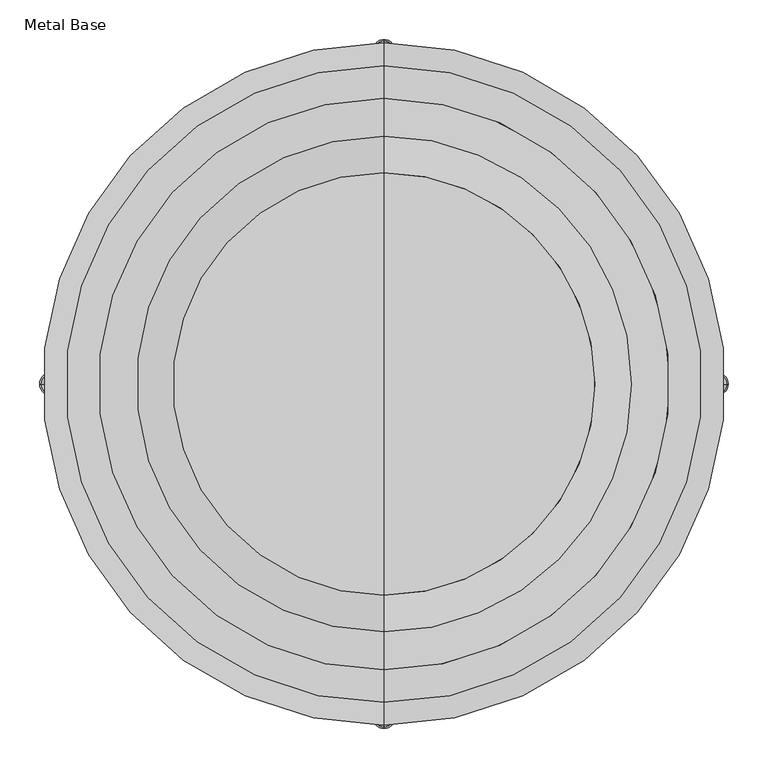
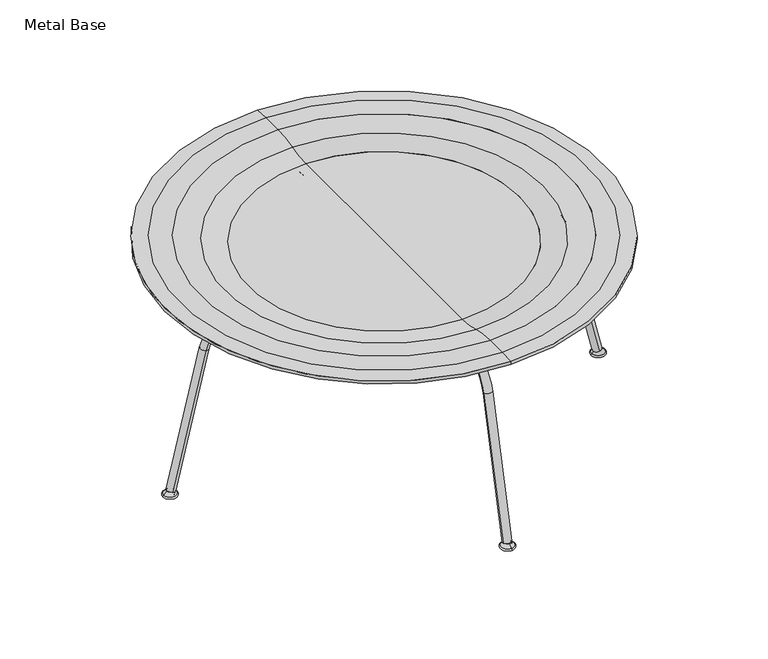
"""IFC4 building model written with IfcOpenShell, lengths in millimetres: furniture geometry, Metal Base."""

import ifcopenshell
import ifcopenshell.guid

model = None  # the IFC model being written
_history = None  # IfcOwnerHistory: only IFC2X3 demands one
_inside = {}  # id of a spatial element -> (the spatial element, [elements in it])
_under = {}  # id of a project, library or spatial element -> (it, [spatial elements below it])
_declared = {}  # id of a project -> (the project, [libraries it declares])
_typed = {}  # id of a type object -> (the type object, [elements of that type])
_made_of = {}  # id of a material, layer set ... -> (it, [elements and type objects made of it])


def new_model(schema):
    """Start an empty IFC model of exactly this schema.

    Asked for "IFC4X3", IfcOpenShell would pick the latest addendum, in which some entities
    have other attributes; the version numbers below select the first issue.
    IFC2X3 requires an IfcOwnerHistory on every rooted entity: one is made here for all.
    """
    global model, _history
    if schema == "IFC4X3":
        model = ifcopenshell.file(schema_version=(4, 3, 0, 0))
    else:
        model = ifcopenshell.file(schema=schema)
    _inside.clear()
    _under.clear()
    _declared.clear()
    _typed.clear()
    _made_of.clear()
    _history = None
    if model.schema == "IFC2X3":
        org = make("IfcOrganization", Name="unknown")
        user = make(
            "IfcPersonAndOrganization",
            ThePerson=make("IfcPerson", FamilyName="unknown"),
            TheOrganization=org,
        )
        app = make(
            "IfcApplication",
            ApplicationDeveloper=org,
            Version="unknown",
            ApplicationFullName="unknown",
            ApplicationIdentifier="unknown",
        )
        _history = make(
            "IfcOwnerHistory",
            OwningUser=user,
            OwningApplication=app,
            ChangeAction="ADDED",
            CreationDate=0,
        )
    return model


def make(cls, **values):
    """One entity of the class cls with the attributes given. An attribute that is None is left unset."""
    return model.create_entity(
        cls, **{name: value for name, value in values.items() if value is not None}
    )


def rooted(cls, **values):
    """An entity with a GlobalId (a new one), such as an element, a storey or a relation."""
    return make(cls, GlobalId=ifcopenshell.guid.new(), OwnerHistory=_history, **values)


def si_unit(unit_type, name, prefix=None):
    """IfcSIUnit, for example si_unit("LENGTHUNIT", "METRE", prefix="MILLI")."""
    return make("IfcSIUnit", UnitType=unit_type, Prefix=prefix, Name=name)


def assignment(units):
    """IfcUnitAssignment: the units of a project."""
    return None if units is None else make("IfcUnitAssignment", Units=units)


def point(xyz):
    """IfcCartesianPoint."""
    return None if xyz is None else make("IfcCartesianPoint", Coordinates=xyz)


def direction(xyz):
    """IfcDirection."""
    return None if xyz is None else make("IfcDirection", DirectionRatios=xyz)


def frame(location, z_axis=None, x_axis=None):
    """IfcAxis2Placement3D, a coordinate frame: its origin and axes. An axis left out is left unset."""
    return make(
        "IfcAxis2Placement3D",
        Location=point(location),
        Axis=direction(z_axis),
        RefDirection=direction(x_axis),
    )


def origin():
    """The frame at (0, 0, 0) with its axes left unset."""
    return frame((0.0, 0.0, 0.0))


def place(relative_to, where):
    """IfcLocalPlacement: puts the frame where relative to a parent placement (None: the world)."""
    return make(
        "IfcLocalPlacement", PlacementRelTo=relative_to, RelativePlacement=where
    )


def context(
    kind, dimensions, precision=None, world=None, true_north=None, identifier=None
):
    """IfcGeometricRepresentationContext, for example the 3D "Model" context."""
    return make(
        "IfcGeometricRepresentationContext",
        ContextIdentifier=identifier,
        ContextType=kind,
        CoordinateSpaceDimension=dimensions,
        Precision=precision,
        WorldCoordinateSystem=world,
        TrueNorth=true_north,
    )


def project(units=None, contexts=None):
    """IfcProject with its units and contexts."""
    return rooted(
        "IfcProject",
        Name="project",
        RepresentationContexts=contexts,
        UnitsInContext=assignment(units),
    )


def spatial(cls, under=None, at=None, **own):
    """A site, building, storey or space (cls), placed at a placement, below another one or the project."""
    s = rooted(cls, ObjectPlacement=at, **own)
    if under is not None:
        _under.setdefault(under.id(), (under, []))[1].append(s)
    return s


def polyline(points):
    """IfcPolyline through the points."""
    return make("IfcPolyline", Points=[point(p) for p in points])


def circle_curve(where, radius):
    """IfcCircle in the frame where."""
    return make("IfcCircle", Position=where, Radius=radius)


def ellipse_curve(where, semi_axis1, semi_axis2):
    """IfcEllipse in the frame where."""
    return make(
        "IfcEllipse", Position=where, SemiAxis1=semi_axis1, SemiAxis2=semi_axis2
    )


def trimmed(basis, trim1, trim2, sense, master):
    """IfcTrimmedCurve: the piece of a basis curve between two trims."""
    return make(
        "IfcTrimmedCurve",
        BasisCurve=basis,
        Trim1=trim1,
        Trim2=trim2,
        SenseAgreement=sense,
        MasterRepresentation=master,
    )


def outline(outer, holes=None, kind="AREA"):
    """IfcArbitraryClosedProfileDef: a profile drawn as a closed curve; with holes, ...WithVoids."""
    if holes is None:
        return make("IfcArbitraryClosedProfileDef", ProfileType=kind, OuterCurve=outer)
    return make(
        "IfcArbitraryProfileDefWithVoids",
        ProfileType=kind,
        OuterCurve=outer,
        InnerCurves=holes,
    )


def extrude(swept, where, along, depth):
    """IfcExtrudedAreaSolid: the profile swept, set in the frame where, extruded along a direction by depth."""
    return make(
        "IfcExtrudedAreaSolid",
        SweptArea=swept,
        Position=where,
        ExtrudedDirection=direction(along),
        Depth=depth,
    )


def shape(context_of_items, identifier, shape_type, items):
    """IfcShapeRepresentation: the items that make up one representation, for example the "Body"."""
    return make(
        "IfcShapeRepresentation",
        ContextOfItems=context_of_items,
        RepresentationIdentifier=identifier,
        RepresentationType=shape_type,
        Items=items,
    )


def source(mapping_origin, context_of_items, identifier, shape_type, items):
    """IfcRepresentationMap: a shape defined once, which mapped items show again and again."""
    return make(
        "IfcRepresentationMap",
        MappingOrigin=mapping_origin,
        MappedRepresentation=shape(context_of_items, identifier, shape_type, items),
    )


def transform(
    local_origin,
    x_axis=None,
    y_axis=None,
    z_axis=None,
    scale=None,
    scale2=None,
    scale3=None,
    uniform=True,
):
    """IfcCartesianTransformationOperator3D, or its non-uniform kind. x_axis, y_axis, z_axis: its Axis1, 2, 3."""
    if uniform:
        return make(
            "IfcCartesianTransformationOperator3D",
            Axis1=direction(x_axis),
            Axis2=direction(y_axis),
            LocalOrigin=point(local_origin),
            Scale=scale,
            Axis3=direction(z_axis),
        )
    return make(
        "IfcCartesianTransformationOperator3DnonUniform",
        Axis1=direction(x_axis),
        Axis2=direction(y_axis),
        LocalOrigin=point(local_origin),
        Scale=scale,
        Axis3=direction(z_axis),
        Scale2=scale2,
        Scale3=scale3,
    )


def mapped(mapping_source, mapping_target):
    """IfcMappedItem: shows the shape of a source again, moved by a transform."""
    return make(
        "IfcMappedItem", MappingSource=mapping_source, MappingTarget=mapping_target
    )


def made_of(thing, what):
    """Note that an element or type object is made of a material, layer set ...; save() writes the relation."""
    if what is not None:
        _made_of.setdefault(what.id(), (what, []))[1].append(thing)
    return thing


def element(
    cls,
    number,
    at=None,
    inside=None,
    cuts=None,
    type_object=None,
    material=None,
    context=None,
    identifier="Body",
    shape_type=None,
    held_by="IfcProductDefinitionShape",
    body=None,
    shapes=None,
    **own,
):
    """One element of the class cls, such as IfcWall. Its Tag is "e" and its number.

    at: its placement. inside: the storey or other place that contains it. cuts: it is an
    opening in that element (IfcRelVoidsElement). A single representation is given by context,
    identifier, shape_type and body (its items); several are given by shapes. held_by: the class
    of the entity that holds the representations. save() writes the other relations.
    """
    e = rooted(cls, Tag="e%d" % number, ObjectPlacement=at, **own)
    if body is not None:
        shapes = [shape(context, identifier, shape_type, body)]
    if shapes is not None:
        e.Representation = make(held_by, Representations=shapes)
    if inside is not None:
        _inside.setdefault(inside.id(), (inside, []))[1].append(e)
    if cuts is not None:
        rooted(
            "IfcRelVoidsElement", RelatingBuildingElement=cuts, RelatedOpeningElement=e
        )
    if type_object is not None:
        _typed.setdefault(type_object.id(), (type_object, []))[1].append(e)
    return made_of(e, material)


def aggregate(whole, parts):
    """IfcRelAggregates: a whole, such as a stair, and the parts it consists of."""
    return rooted("IfcRelAggregates", RelatingObject=whole, RelatedObjects=parts)


def save(model, path):
    """Write the relations noted so far, then the file.

    IfcRelAggregates (storeys below a building ...), IfcRelContainedInSpatialStructure (elements
    in a storey), IfcRelDefinesByType, IfcRelAssociatesMaterial and IfcRelDeclares: one each for
    every whole, place, type object, material and project.
    """
    for whole, parts in _under.values():
        aggregate(whole, parts)
    for where, things in _inside.values():
        rooted(
            "IfcRelContainedInSpatialStructure",
            RelatedElements=things,
            RelatingStructure=where,
        )
    for kind, things in _typed.values():
        rooted("IfcRelDefinesByType", RelatedObjects=things, RelatingType=kind)
    for what, things in _made_of.values():
        rooted("IfcRelAssociatesMaterial", RelatedObjects=things, RelatingMaterial=what)
    for by, libraries in _declared.values():
        rooted("IfcRelDeclares", RelatingContext=by, RelatedDefinitions=libraries)
    model.write(path)


def plane_surface(at):
    """IfcPlane: the flat surface through the origin of the frame at, square to its z axis."""
    return make("IfcPlane", Position=at)


def cylinder_surface(at, radius):
    """IfcCylindricalSurface: all points at the distance radius from the z axis of the frame at."""
    return make("IfcCylindricalSurface", Position=at, Radius=radius)


def revolved_surface(curve, axis_point, axis_direction):
    """IfcSurfaceOfRevolution: the curve turned about the line through axis_point along axis_direction."""
    return make(
        "IfcSurfaceOfRevolution",
        SweptCurve=make("IfcArbitraryOpenProfileDef", ProfileType="CURVE", Curve=curve),
        AxisPosition=make("IfcAxis1Placement", Location=point(axis_point), Axis=direction(axis_direction)),
    )


def advanced_brep(points, edges, surfaces, faces):
    """IfcAdvancedBrep: a solid bounded by faces that lie on surfaces and meet in shared edges.

    An edge is (start, end): straight between two places in points (the first is 0);
    or (start, end, curve); or (start, end, curve, False) where it runs against its curve.
    A face is (place in surfaces, loops), or (place, loops, False) where it looks against
    its surface's normal. A loop lists edges by number (the first is 1), with a minus sign
    where the edge is run from its end to its start. The first loop is the outer one.
    """
    corners = [point(p) for p in points]
    vertices = [make("IfcVertexPoint", VertexGeometry=c) for c in corners]
    made = []
    for start, end, *more in edges:
        made.append(
            make(
                "IfcEdgeCurve",
                EdgeStart=vertices[start],
                EdgeEnd=vertices[end],
                EdgeGeometry=more[0] if more else make("IfcPolyline", Points=[corners[start], corners[end]]),
                SameSense=more[1] if len(more) > 1 else True,
            )
        )
    hull = []
    for where, loops, *sense in faces:
        bounds = []
        for j, loop in enumerate(loops):
            ring = [make("IfcOrientedEdge", EdgeElement=made[abs(k) - 1], Orientation=k > 0) for k in loop]
            bounds.append(
                make(
                    "IfcFaceOuterBound" if j == 0 else "IfcFaceBound",
                    Bound=make("IfcEdgeLoop", EdgeList=ring),
                    Orientation=True,
                )
            )
        hull.append(make("IfcAdvancedFace", Bounds=bounds, FaceSurface=surfaces[where], SameSense=sense[0] if sense else True))
    return make("IfcAdvancedBrep", Outer=make("IfcClosedShell", CfsFaces=hull))


def metal_base_0784acbb(model_context):
    return source(origin(), model_context, "Body", "SolidModel", [
        advanced_brep(
        [(0.0, -412.7557789, 10.1854), (0.0, -425.4557789, 10.1854), (0.0, -419.1057789, 10.1854), (0.0, -419.1057789, 0.0), (0.0, -431.8184789, 0.0), (0.0, -406.3930789, 0.0), (0.0, -431.8184789, 3.0988), (0.0, -406.3930789, 3.0988)],
        [
            (0, 1, circle_curve(frame((0.0, -419.1057789, 10.1854), z_axis=(0.0, 0.0, 1.0), x_axis=(0.0, -1.0, 0.0)), 6.35)),
            (1, 2),
            (2, 0),
            (1, 0, circle_curve(frame((0.0, -419.1057789, 10.1854), z_axis=(0.0, 0.0, 1.0), x_axis=(0.0, -1.0, 0.0)), 6.35)),
            (3, 4),
            (4, 5, circle_curve(frame((0.0, -419.1057789, 0.0), z_axis=(0.0, 0.0, -1.0), x_axis=(0.0, -1.0, 0.0)), 12.7127)),
            (5, 3),
            (5, 4, circle_curve(frame((0.0, -419.1057789, 0.0), z_axis=(0.0, 0.0, -1.0), x_axis=(0.0, -1.0, 0.0)), 12.7127)),
            (4, 6, circle_curve(frame((0.0, -431.8184789, 1.5494), z_axis=(-1.0, 0.0, 0.0), x_axis=(0.0, 1.0, 0.0)), 1.5494)),
            (6, 7, circle_curve(frame((0.0, -419.1057789, 3.0988), z_axis=(0.0, 0.0, -1.0), x_axis=(0.0, -1.0, 0.0)), 12.7127)),
            (7, 5, circle_curve(frame((0.0, -406.3930789, 1.5494), z_axis=(-1.0, 0.0, 0.0), x_axis=(0.0, -1.0, 0.0)), 1.5494)),
            (7, 6, circle_curve(frame((0.0, -419.1057789, 3.0988), z_axis=(0.0, 0.0, -1.0), x_axis=(0.0, -1.0, 0.0)), 12.7127)),
            (6, 1),
            (0, 7),
        ],
        [
            plane_surface(frame((0.0, -419.1057789, 10.1854), z_axis=(0.0, 0.0, 1.0), x_axis=(0.0, -1.0, 0.0))),
            plane_surface(frame((0.0, -419.1057789, 0.0), z_axis=(0.0, 0.0, -1.0), x_axis=(0.0, -1.0, 0.0))),
            revolved_surface(trimmed(ellipse_curve(frame((0.0, -431.8184789, 1.5494), z_axis=(1.0, 0.0, 0.0), x_axis=(0.0, 1.0, 0.0)), 1.5494, 1.5494), [point((0.0, -431.8184789, 3.0988))], [point((0.0, -431.8184789, 0.0))], True, "CARTESIAN"), (0.0, -419.1057789, 0.0), (0.0, 0.0, -1.0)),
            revolved_surface(polyline([(0.0, -425.4557789, 10.1854), (0.0, -431.8184789, 3.0988)]), (0.0, -419.1057789, 0.0), (0.0, 0.0, -1.0)),
        ],
        [
            (0, [[1, 2, 3]]),
            (0, [[4, -3, -2]]),
            (1, [[5, 6, 7]]),
            (1, [[-7, 8, -5]]),
            (2, [[-6, 9, 10, 11]]),
            (2, [[-8, -11, 12, -9]]),
            (3, [[-10, 13, -1, 14]]),
            (3, [[-12, -14, -4, -13]]),
        ],
    ),
        advanced_brep(
        [(0.0, 419.1057789, 10.1854), (0.0, 425.4557789, 10.1854), (0.0, 412.7557789, 10.1854), (0.0, 406.3930789, 0.0), (0.0, 431.8184789, 0.0), (0.0, 419.1057789, 0.0), (0.0, 406.3930789, 3.0988), (0.0, 431.8184789, 3.0988)],
        [
            (0, 1),
            (1, 2, circle_curve(frame((0.0, 419.1057789, 10.1854), z_axis=(0.0, 0.0, 1.0), x_axis=(-9.168221737354543e-12, 1.0, 0.0)), 6.35)),
            (2, 0),
            (2, 1, circle_curve(frame((0.0, 419.1057789, 10.1854), z_axis=(0.0, 0.0, 1.0), x_axis=(-9.168221737354543e-12, 1.0, 0.0)), 6.35)),
            (3, 4, circle_curve(frame((0.0, 419.1057789, 0.0), z_axis=(0.0, 0.0, -1.0), x_axis=(-9.168221737354543e-12, 1.0, 0.0)), 12.7127)),
            (4, 5),
            (5, 3),
            (4, 3, circle_curve(frame((0.0, 419.1057789, 0.0), z_axis=(0.0, 0.0, -1.0), x_axis=(-9.168221737354543e-12, 1.0, 0.0)), 12.7127)),
            (6, 7, circle_curve(frame((0.0, 419.1057789, 3.0988), z_axis=(0.0, 0.0, -1.0), x_axis=(-9.168221737354543e-12, 1.0, 0.0)), 12.7127)),
            (7, 4, circle_curve(frame((0.0, 431.8184789, 1.5494), z_axis=(-1.0, 0.0, 0.0), x_axis=(0.0, -1.0, 0.0)), 1.5494)),
            (3, 6, circle_curve(frame((0.0, 406.3930789, 1.5494), z_axis=(-1.0, 0.0, 0.0), x_axis=(0.0, 1.0, 0.0)), 1.5494)),
            (7, 6, circle_curve(frame((0.0, 419.1057789, 3.0988), z_axis=(0.0, 0.0, -1.0), x_axis=(-9.168221737354543e-12, 1.0, 0.0)), 12.7127)),
            (1, 7),
            (6, 2),
        ],
        [
            plane_surface(frame((0.0, 419.1057789, 10.1854), z_axis=(0.0, 0.0, 1.0), x_axis=(-9.168221737354543e-12, 1.0, 0.0))),
            plane_surface(frame((0.0, 419.1057789, 0.0), z_axis=(0.0, 0.0, -1.0), x_axis=(-9.168221737354543e-12, 1.0, 0.0))),
            revolved_surface(trimmed(ellipse_curve(frame((0.0, 431.8184789, 1.5494), z_axis=(1.0, 0.0, 0.0), x_axis=(0.0, -1.0, 0.0)), 1.5494, 1.5494), [point((0.0, 431.8184789, 0.0))], [point((0.0, 431.8184789, 3.0988))], True, "CARTESIAN"), (0.0, 419.1057789, 0.0), (0.0, 0.0, 1.0)),
            revolved_surface(polyline([(0.0, 431.8184789, 3.0988), (0.0, 425.4557789, 10.1854)]), (0.0, 419.1057789, 0.0), (0.0, 0.0, 1.0)),
        ],
        [
            (0, [[1, 2, 3]]),
            (0, [[-3, 4, -1]]),
            (1, [[5, 6, 7]]),
            (1, [[8, -7, -6]]),
            (2, [[9, 10, -5, 11]]),
            (2, [[12, -11, -8, -10]]),
            (3, [[-2, 13, -9, 14]]),
            (3, [[-4, -14, -12, -13]]),
        ],
    ),
        advanced_brep(
        [(-412.7557789, 0.0, 10.1854), (-425.4557789, 0.0, 10.1854), (-419.1057789, 0.0, 10.1854), (-419.1057789, 0.0, 0.0), (-431.8184789, 0.0, 0.0), (-406.3930789, 0.0, 0.0), (-431.8184789, 0.0, 3.0988), (-406.3930789, 0.0, 3.0988)],
        [
            (0, 1, circle_curve(frame((-419.1057789, 0.0, 10.1854), z_axis=(0.0, 0.0, 1.0), x_axis=(-1.0, 0.0, 0.0)), 6.35)),
            (1, 2),
            (2, 0),
            (1, 0, circle_curve(frame((-419.1057789, 0.0, 10.1854), z_axis=(0.0, 0.0, 1.0), x_axis=(-1.0, 0.0, 0.0)), 6.35)),
            (3, 4),
            (4, 5, circle_curve(frame((-419.1057789, 0.0, 0.0), z_axis=(0.0, 0.0, -1.0), x_axis=(-1.0, 0.0, 0.0)), 12.7127)),
            (5, 3),
            (5, 4, circle_curve(frame((-419.1057789, 0.0, 0.0), z_axis=(0.0, 0.0, -1.0), x_axis=(-1.0, 0.0, 0.0)), 12.7127)),
            (4, 6, circle_curve(frame((-431.8184789, 0.0, 1.5494), z_axis=(0.0, 1.0, 0.0), x_axis=(1.0, 0.0, 0.0)), 1.5494)),
            (6, 7, circle_curve(frame((-419.1057789, 0.0, 3.0988), z_axis=(0.0, 0.0, -1.0), x_axis=(-1.0, 0.0, 0.0)), 12.7127)),
            (7, 5, circle_curve(frame((-406.3930789, 0.0, 1.5494), z_axis=(0.0, 1.0, 0.0), x_axis=(-1.0, 0.0, 0.0)), 1.5494)),
            (7, 6, circle_curve(frame((-419.1057789, 0.0, 3.0988), z_axis=(0.0, 0.0, -1.0), x_axis=(-1.0, 0.0, 0.0)), 12.7127)),
            (6, 1),
            (0, 7),
        ],
        [
            plane_surface(frame((-419.1057789, 0.0, 10.1854), z_axis=(0.0, 0.0, 1.0), x_axis=(-1.0, 0.0, 0.0))),
            plane_surface(frame((-419.1057789, 0.0, 0.0), z_axis=(0.0, 0.0, -1.0), x_axis=(-1.0, 0.0, 0.0))),
            revolved_surface(trimmed(ellipse_curve(frame((-431.8184789, 0.0, 1.5494), z_axis=(0.0, -1.0, 0.0), x_axis=(1.0, 0.0, 0.0)), 1.5494, 1.5494), [point((-431.8184789, 0.0, 3.0988))], [point((-431.8184789, 0.0, 0.0))], True, "CARTESIAN"), (-419.1057789, 0.0, 0.0), (0.0, 0.0, -1.0)),
            revolved_surface(polyline([(-425.4557789, 0.0, 10.1854), (-431.8184789, 0.0, 3.0988)]), (-419.1057789, 0.0, 0.0), (0.0, 0.0, -1.0)),
        ],
        [
            (0, [[1, 2, 3]]),
            (0, [[4, -3, -2]]),
            (1, [[5, 6, 7]]),
            (1, [[-7, 8, -5]]),
            (2, [[-6, 9, 10, 11]]),
            (2, [[-8, -11, 12, -9]]),
            (3, [[-10, 13, -1, 14]]),
            (3, [[-12, -14, -4, -13]]),
        ],
    ),
        advanced_brep(
        [(419.1057789, 0.0, 10.1854), (425.4557789, 0.0, 10.1854), (412.7557789, 0.0, 10.1854), (406.3930789, 0.0, 0.0), (431.8184789, 0.0, 0.0), (419.1057789, 0.0, 0.0), (406.3930789, 0.0, 3.0988), (431.8184789, 0.0, 3.0988)],
        [
            (0, 1),
            (1, 2, circle_curve(frame((419.1057789, 0.0, 10.1854), z_axis=(0.0, 0.0, 1.0), x_axis=(1.0, 0.0, 0.0)), 6.35)),
            (2, 0),
            (2, 1, circle_curve(frame((419.1057789, 0.0, 10.1854), z_axis=(0.0, 0.0, 1.0), x_axis=(1.0, 0.0, 0.0)), 6.35)),
            (3, 4, circle_curve(frame((419.1057789, 0.0, 0.0), z_axis=(0.0, 0.0, -1.0), x_axis=(1.0, 0.0, 0.0)), 12.7127)),
            (4, 5),
            (5, 3),
            (4, 3, circle_curve(frame((419.1057789, 0.0, 0.0), z_axis=(0.0, 0.0, -1.0), x_axis=(1.0, 0.0, 0.0)), 12.7127)),
            (6, 7, circle_curve(frame((419.1057789, 0.0, 3.0988), z_axis=(0.0, 0.0, -1.0), x_axis=(1.0, 0.0, 0.0)), 12.7127)),
            (7, 4, circle_curve(frame((431.8184789, 0.0, 1.5494), z_axis=(0.0, 1.0, 0.0), x_axis=(-1.0, 0.0, 0.0)), 1.5494)),
            (3, 6, circle_curve(frame((406.3930789, 0.0, 1.5494), z_axis=(0.0, 1.0, 0.0), x_axis=(1.0, 0.0, 0.0)), 1.5494)),
            (7, 6, circle_curve(frame((419.1057789, 0.0, 3.0988), z_axis=(0.0, 0.0, -1.0), x_axis=(1.0, 0.0, 0.0)), 12.7127)),
            (1, 7),
            (6, 2),
        ],
        [
            plane_surface(frame((419.1057789, 0.0, 10.1854), z_axis=(0.0, 0.0, 1.0), x_axis=(1.0, 0.0, 0.0))),
            plane_surface(frame((419.1057789, 0.0, 0.0), z_axis=(0.0, 0.0, -1.0), x_axis=(1.0, 0.0, 0.0))),
            revolved_surface(trimmed(ellipse_curve(frame((431.8184789, 0.0, 1.5494), z_axis=(0.0, -1.0, 0.0), x_axis=(-1.0, 0.0, 0.0)), 1.5494, 1.5494), [point((431.8184789, 0.0, 0.0))], [point((431.8184789, 0.0, 3.0988))], True, "CARTESIAN"), (419.1057789, 0.0, 0.0), (0.0, 0.0, 1.0)),
            revolved_surface(polyline([(431.8184789, 0.0, 3.0988), (425.4557789, 0.0, 10.1854)]), (419.1057789, 0.0, 0.0), (0.0, 0.0, 1.0)),
        ],
        [
            (0, [[1, 2, 3]]),
            (0, [[-3, 4, -1]]),
            (1, [[5, 6, 7]]),
            (1, [[8, -7, -6]]),
            (2, [[9, 10, -5, 11]]),
            (2, [[12, -11, -8, -10]]),
            (3, [[-2, 13, -9, 14]]),
            (3, [[-4, -14, -12, -13]]),
        ],
    ),
        extrude(outline(polyline([(-215.9, -19.0891444), (-215.9, 19.0891444), (-57.15, 30.1900258), (-57.15, -30.1900258), (-215.9, -19.0891444)])), frame((0.0, 0.0, 344.7288), z_axis=(0.0, 0.0, 1.0), x_axis=(1.0, 0.0, 0.0)), (0.0, 0.0, 1.0), 4.572),
        extrude(outline(polyline([(215.9, -19.0891444), (57.15, -30.1900258), (57.15, 30.1900258), (215.9, 19.0891444), (215.9, -19.0891444)])), frame((0.0, 0.0, 344.7288), z_axis=(0.0, 0.0, 1.0), x_axis=(1.0, 0.0, 0.0)), (0.0, 0.0, 1.0), 4.572),
        extrude(outline(polyline([(19.0891444, -215.9), (-19.0891444, -215.9), (-30.1900258, -57.15), (30.1900258, -57.15), (19.0891444, -215.9)])), frame((0.0, 0.0, 344.7288), z_axis=(0.0, 0.0, 1.0), x_axis=(1.0, 0.0, 0.0)), (0.0, 0.0, 1.0), 4.572),
        extrude(outline(polyline([(19.0891444, 215.9), (30.1900258, 57.15), (-30.1900258, 57.15), (-19.0891444, 215.9), (19.0891444, 215.9)])), frame((0.0, 0.0, 344.7288), z_axis=(0.0, 0.0, 1.0), x_axis=(1.0, 0.0, 0.0)), (0.0, 0.0, 1.0), 4.572),
        advanced_brep(
        [(-7.9375, -419.1057789, 1.8224137), (7.9375, -419.1057789, 1.8224137), (7.9375, -279.8826, 336.7405), (-7.9375, -279.8826, 336.7405), (-7.9375, 279.8826, 336.7405), (7.9375, 279.8826, 336.7405), (-7.9375, 419.1057789, 1.8224137), (7.9375, 419.1057789, 1.8224137), (7.9375, 352.4294904, 279.549143), (-7.9375, 352.4294904, 279.549143), (-7.9375, -352.4294904, 279.549143), (7.9375, -352.4294905, 279.549143)],
        [
            (0, 1, circle_curve(frame((0.0, -419.1057789, 1.8224137), z_axis=(0.0, -0.23344536385592055, -0.972369920397673), x_axis=(1.0, 0.0, 0.0)), 7.9375)),
            (1, 0, circle_curve(frame((0.0, -419.1057789, 1.8224137), z_axis=(0.0, -0.23344536385592055, -0.972369920397673), x_axis=(1.0, 0.0, 0.0)), 7.9375)),
            (2, 3, circle_curve(frame((0.0, -279.8826, 336.7405), z_axis=(0.0, 1.0, 0.0), x_axis=(1.0, 0.0, 0.0)), 7.9375)),
            (3, 4),
            (4, 5, circle_curve(frame((0.0, 279.8826, 336.7405), z_axis=(0.0, -1.0, 0.0), x_axis=(1.0, 0.0, 0.0)), 7.9375)),
            (5, 2),
            (3, 2, circle_curve(frame((0.0, -279.8826, 336.7405), z_axis=(0.0, 1.0, 0.0), x_axis=(1.0, 0.0, 0.0)), 7.9375)),
            (5, 4, circle_curve(frame((0.0, 279.8826, 336.7405), z_axis=(0.0, -1.0, 0.0), x_axis=(1.0, 0.0, 0.0)), 7.9375)),
            (6, 7, circle_curve(frame((0.0, 419.1057789, 1.8224137), z_axis=(0.0, 0.2334453638559008, -0.9723699203976778), x_axis=(1.0, 0.0, 0.0)), 7.9375)),
            (7, 6, circle_curve(frame((0.0, 419.1057789, 1.8224137), z_axis=(0.0, 0.2334453638559008, -0.9723699203976778), x_axis=(1.0, 0.0, 0.0)), 7.9375)),
            (8, 9, circle_curve(frame((0.0, 352.4294904, 279.549143), z_axis=(0.0, 0.2334453638559008, -0.9723699203976778), x_axis=(1.0, 0.0, 0.0)), 7.9375)),
            (9, 6),
            (7, 8),
            (9, 8, circle_curve(frame((0.0, 352.4294904, 279.549143), z_axis=(0.0, 0.2334453638559008, -0.9723699203976778), x_axis=(1.0, 0.0, 0.0)), 7.9375)),
            (8, 5, circle_curve(frame((7.9375, 279.8826, 262.1321756), z_axis=(1.0, 0.0, 0.0), x_axis=(0.0, 0.0, 1.0)), 74.6083244)),
            (4, 9, circle_curve(frame((-7.9375, 279.8826, 262.1321756), z_axis=(-1.0, 0.0, 0.0), x_axis=(0.0, 0.0, 1.0)), 74.6083244)),
            (0, 10),
            (10, 11, circle_curve(frame((0.0, -352.4294904, 279.549143), z_axis=(0.0, -0.23344536385592055, -0.972369920397673), x_axis=(1.0, 0.0, 0.0)), 7.9375)),
            (11, 1),
            (11, 10, circle_curve(frame((0.0, -352.4294904, 279.549143), z_axis=(0.0, -0.23344536385592055, -0.972369920397673), x_axis=(1.0, 0.0, 0.0)), 7.9375)),
            (2, 11, circle_curve(frame((7.9375, -279.8826, 262.1321756), z_axis=(1.0, 0.0, 0.0), x_axis=(0.0, -0.9723699203976729, 0.23344536385592107)), 74.6083244)),
            (10, 3, circle_curve(frame((-7.9375, -279.8826, 262.1321756), z_axis=(-1.0, 0.0, 0.0), x_axis=(0.0, -0.9723699203976729, 0.23344536385592107)), 74.6083244)),
        ],
        [
            plane_surface(frame((0.0, -426.8239652, 3.6753862), z_axis=(0.0, -0.2334453638559206, -0.972369920397673), x_axis=(1.0, 0.0, 0.0))),
            cylinder_surface(frame((0.0, -279.8826, 336.7405), z_axis=(0.0, -1.0, 0.0), x_axis=(1.0, 0.0, 0.0)), 7.9375),
            plane_surface(frame((0.0, 426.8239652, 3.6753862), z_axis=(0.0, 0.23344536385590067, -0.9723699203976779), x_axis=(1.0, 0.0, 0.0))),
            cylinder_surface(frame((0.0, 352.4294904, 279.549143), z_axis=(0.0, -0.2334453638559008, 0.9723699203976778), x_axis=(1.0, 0.0, 0.0)), 7.9375),
            revolved_surface(trimmed(ellipse_curve(frame((0.0, 279.8826, 336.7405), z_axis=(0.0, -1.0, 0.0), x_axis=(1.0, 0.0, 0.0)), 7.9375, 7.9375), [point((-7.9375, 279.8826, 336.7405))], [point((7.9375, 279.8826, 336.7405))], True, "CARTESIAN"), (0.0, 279.8826, 262.1321756), (-1.0, 0.0, 0.0)),
            revolved_surface(trimmed(ellipse_curve(frame((0.0, 279.8826, 336.7405), z_axis=(0.0, -1.0, 0.0), x_axis=(1.0, 0.0, 0.0)), 7.9375, 7.9375), [point((7.9375, 279.8826, 336.7405))], [point((-7.9375, 279.8826, 336.7405))], True, "CARTESIAN"), (0.0, 279.8826, 262.1321756), (-1.0, 0.0, 0.0)),
            cylinder_surface(frame((0.0, -419.1057789, 1.8224137), z_axis=(0.0, -0.23344536385592055, -0.972369920397673), x_axis=(1.0, 0.0, 0.0)), 7.9375),
            revolved_surface(trimmed(ellipse_curve(frame((0.0, -352.4294905, 279.549143), z_axis=(0.0, -0.23344536385592088, -0.9723699203976729), x_axis=(1.0, 0.0, 0.0)), 7.9375, 7.9375), [point((-7.9375, -352.4294905, 279.549143))], [point((7.9375, -352.4294905, 279.549143))], True, "CARTESIAN"), (0.0, -279.8826, 262.1321756), (-1.0, 0.0, 0.0)),
            revolved_surface(trimmed(ellipse_curve(frame((0.0, -352.4294905, 279.549143), z_axis=(0.0, -0.23344536385592088, -0.9723699203976729), x_axis=(1.0, 0.0, 0.0)), 7.9375, 7.9375), [point((7.9375, -352.4294905, 279.549143))], [point((-7.9375, -352.4294905, 279.549143))], True, "CARTESIAN"), (0.0, -279.8826, 262.1321756), (-1.0, 0.0, 0.0)),
        ],
        [
            (0, [[1, 2]]),
            (1, [[3, 4, 5, 6]]),
            (1, [[7, -6, 8, -4]]),
            (2, [[9, 10]]),
            (3, [[11, 12, -10, 13]]),
            (3, [[14, -13, -9, -12]]),
            (4, [[15, -5, 16, -11]]),
            (5, [[-16, -8, -15, -14]]),
            (6, [[-1, 17, 18, 19]]),
            (6, [[-2, -19, 20, -17]]),
            (7, [[21, -18, 22, -3]]),
            (8, [[-22, -20, -21, -7]]),
        ],
    ),
        advanced_brep(
        [(-419.1057789, 7.9375, 1.8224137), (-419.1057789, -7.9375, 1.8224137), (-279.8826, -7.9375, 336.7405), (-279.8826, 7.9375, 336.7405), (279.8826, 7.9375, 336.7405), (279.8826, -7.9375, 336.7405), (419.1057789, 7.9375, 1.8224137), (419.1057789, -7.9375, 1.8224137), (352.4294904, -7.9375, 279.549143), (352.4294904, 7.9375, 279.549143), (-352.4294904, 7.9375, 279.549143), (-352.4294905, -7.9375, 279.549143)],
        [
            (0, 1, circle_curve(frame((-419.1057789, 0.0, 1.8224137), z_axis=(-0.23344536385592057, 0.0, -0.972369920397673), x_axis=(0.0, -1.0, 0.0)), 7.9375)),
            (1, 0, circle_curve(frame((-419.1057789, 0.0, 1.8224137), z_axis=(-0.23344536385592057, 0.0, -0.972369920397673), x_axis=(0.0, -1.0, 0.0)), 7.9375)),
            (2, 3, circle_curve(frame((-279.8826, 0.0, 336.7405), z_axis=(1.0, 0.0, 0.0), x_axis=(0.0, -1.0, 0.0)), 7.9375)),
            (3, 4),
            (4, 5, circle_curve(frame((279.8826, 0.0, 336.7405), z_axis=(-1.0, 0.0, 0.0), x_axis=(0.0, -1.0, 0.0)), 7.9375)),
            (5, 2),
            (3, 2, circle_curve(frame((-279.8826, 0.0, 336.7405), z_axis=(1.0, 0.0, 0.0), x_axis=(0.0, -1.0, 0.0)), 7.9375)),
            (5, 4, circle_curve(frame((279.8826, 0.0, 336.7405), z_axis=(-1.0, 0.0, 0.0), x_axis=(0.0, -1.0, 0.0)), 7.9375)),
            (6, 7, circle_curve(frame((419.1057789, 0.0, 1.8224137), z_axis=(0.23344536385590076, 0.0, -0.9723699203976778), x_axis=(0.0, -1.0, 0.0)), 7.9375)),
            (7, 6, circle_curve(frame((419.1057789, 0.0, 1.8224137), z_axis=(0.23344536385590076, 0.0, -0.9723699203976778), x_axis=(0.0, -1.0, 0.0)), 7.9375)),
            (8, 9, circle_curve(frame((352.4294904, 0.0, 279.549143), z_axis=(0.23344536385590076, 0.0, -0.9723699203976778), x_axis=(0.0, -1.0, 0.0)), 7.9375)),
            (9, 6),
            (7, 8),
            (9, 8, circle_curve(frame((352.4294904, 0.0, 279.549143), z_axis=(0.23344536385590076, 0.0, -0.9723699203976778), x_axis=(0.0, -1.0, 0.0)), 7.9375)),
            (8, 5, circle_curve(frame((279.8826, -7.9375, 262.1321756), z_axis=(0.0, -1.0, 0.0), x_axis=(0.0, 0.0, 1.0)), 74.6083244)),
            (4, 9, circle_curve(frame((279.8826, 7.9375, 262.1321756), z_axis=(0.0, 1.0, 0.0), x_axis=(0.0, 0.0, 1.0)), 74.6083244)),
            (0, 10),
            (10, 11, circle_curve(frame((-352.4294904, 0.0, 279.549143), z_axis=(-0.23344536385592057, 0.0, -0.972369920397673), x_axis=(0.0, -1.0, 0.0)), 7.9375)),
            (11, 1),
            (11, 10, circle_curve(frame((-352.4294904, 0.0, 279.549143), z_axis=(-0.23344536385592057, 0.0, -0.972369920397673), x_axis=(0.0, -1.0, 0.0)), 7.9375)),
            (2, 11, circle_curve(frame((-279.8826, -7.9375, 262.1321756), z_axis=(0.0, -1.0, 0.0), x_axis=(-0.9723699203976729, 0.0, 0.233445363855921)), 74.6083244)),
            (10, 3, circle_curve(frame((-279.8826, 7.9375, 262.1321756), z_axis=(0.0, 1.0, 0.0), x_axis=(-0.9723699203976729, 0.0, 0.233445363855921)), 74.6083244)),
        ],
        [
            plane_surface(frame((-426.8239652, 0.0, 3.6753862), z_axis=(-0.2334453638559206, 0.0, -0.972369920397673), x_axis=(0.0, -1.0, 0.0))),
            cylinder_surface(frame((-279.8826, 0.0, 336.7405), z_axis=(-1.0, 0.0, 0.0), x_axis=(0.0, -1.0, 0.0)), 7.9375),
            plane_surface(frame((426.8239652, 0.0, 3.6753862), z_axis=(0.23344536385590067, 0.0, -0.9723699203976779), x_axis=(0.0, -1.0, 0.0))),
            cylinder_surface(frame((352.4294904, 0.0, 279.549143), z_axis=(-0.23344536385590076, 0.0, 0.9723699203976778), x_axis=(0.0, -1.0, 0.0)), 7.9375),
            revolved_surface(trimmed(ellipse_curve(frame((279.8826, 0.0, 336.7405), z_axis=(-1.0, 0.0, 0.0), x_axis=(0.0, -1.0, 0.0)), 7.9375, 7.9375), [point((279.8826, 7.9375, 336.7405))], [point((279.8826, -7.9375, 336.7405))], True, "CARTESIAN"), (279.8826, 0.0, 262.1321756), (0.0, 1.0, 0.0)),
            revolved_surface(trimmed(ellipse_curve(frame((279.8826, 0.0, 336.7405), z_axis=(-1.0, 0.0, 0.0), x_axis=(0.0, -1.0, 0.0)), 7.9375, 7.9375), [point((279.8826, -7.9375, 336.7405))], [point((279.8826, 7.9375, 336.7405))], True, "CARTESIAN"), (279.8826, 0.0, 262.1321756), (0.0, 1.0, 0.0)),
            cylinder_surface(frame((-419.1057789, 0.0, 1.8224137), z_axis=(-0.23344536385592057, 0.0, -0.972369920397673), x_axis=(0.0, -1.0, 0.0)), 7.9375),
            revolved_surface(trimmed(ellipse_curve(frame((-352.4294905, 0.0, 279.549143), z_axis=(-0.23344536385592085, 0.0, -0.9723699203976729), x_axis=(0.0, -1.0, 0.0)), 7.9375, 7.9375), [point((-352.4294905, 7.9375, 279.549143))], [point((-352.4294905, -7.9375, 279.549143))], True, "CARTESIAN"), (-279.8826, 0.0, 262.1321756), (0.0, 1.0, 0.0)),
            revolved_surface(trimmed(ellipse_curve(frame((-352.4294905, 0.0, 279.549143), z_axis=(-0.23344536385592085, 0.0, -0.9723699203976729), x_axis=(0.0, -1.0, 0.0)), 7.9375, 7.9375), [point((-352.4294905, -7.9375, 279.549143))], [point((-352.4294905, 7.9375, 279.549143))], True, "CARTESIAN"), (-279.8826, 0.0, 262.1321756), (0.0, 1.0, 0.0)),
        ],
        [
            (0, [[1, 2]]),
            (1, [[3, 4, 5, 6]]),
            (1, [[7, -6, 8, -4]]),
            (2, [[9, 10]]),
            (3, [[11, 12, -10, 13]]),
            (3, [[14, -13, -9, -12]]),
            (4, [[15, -5, 16, -11]]),
            (5, [[-16, -8, -15, -14]]),
            (6, [[-1, 17, 18, 19]]),
            (6, [[-2, -19, 20, -17]]),
            (7, [[21, -18, 22, -3]]),
            (8, [[-22, -20, -21, -7]]),
        ],
    ),
        extrude(outline(polyline([(228.6, 26.7143759), (228.6, -26.7143759), (26.7143759, -26.7143759), (26.7143759, -228.6), (-26.7143759, -228.6), (-26.7143759, -26.7143759), (-228.6, -26.7143759), (-228.6, 26.7143759), (-26.7143759, 26.7143759), (-26.7143759, 228.6), (26.7143759, 228.6), (26.7143759, 26.7143759), (228.6, 26.7143759)])), frame((0.0, 0.0, 349.2500121), z_axis=(0.0, 0.0, 1.0), x_axis=(1.0, 0.0, 0.0)), (0.0, 0.0, 1.0), 22.2249879),
        advanced_brep(
        [(0.0, -429.5084627, 389.4258665), (0.0, 429.3606245, 389.4258665), (0.0, 429.3606245, 383.0758907), (0.0, -429.5084627, 383.0758907), (0.0, -400.9636934, 391.2870174), (0.0, 400.8158552, 391.2870174), (0.0, -359.7885178, 391.2870174), (0.0, 359.6406796, 391.2870174), (0.0, -312.0455698, 384.4290258), (0.0, 311.8977316, 384.4290258), (0.0, -266.070728, 377.8250121), (0.0, 265.9228898, 377.8250121), (0.0, -0.0739191, 377.8250121), (0.0, -266.070728, 371.475), (0.0, 265.9228898, 371.475), (0.0, -0.0739191, 371.475), (0.0, -312.0455698, 378.07905), (0.0, 311.8977316, 378.07905), (0.0, -359.7885178, 384.9370417), (0.0, 359.6406796, 384.9370417), (0.0, -400.9636934, 384.9370417), (0.0, 400.8158552, 384.9370417)],
        [
            (0, 1, circle_curve(frame((0.0, -0.0739191, 389.4258665), z_axis=(0.0, 0.0, -1.0), x_axis=(0.0, 1.0, 0.0)), 429.4345436)),
            (1, 2),
            (2, 3, circle_curve(frame((0.0, -0.0739191, 383.0758907), z_axis=(0.0, 0.0, 1.0), x_axis=(0.0, 1.0, 0.0)), 429.4345436)),
            (3, 0),
            (1, 0, circle_curve(frame((0.0, -0.0739191, 389.4258665), z_axis=(0.0, 0.0, -1.0), x_axis=(0.0, 1.0, 0.0)), 429.4345436)),
            (3, 2, circle_curve(frame((0.0, -0.0739191, 383.0758907), z_axis=(0.0, 0.0, 1.0), x_axis=(0.0, 1.0, 0.0)), 429.4345436)),
            (4, 5, circle_curve(frame((0.0, -0.0739191, 391.2870174), z_axis=(0.0, 0.0, -1.0), x_axis=(0.0, 1.0, 0.0)), 400.8897743)),
            (5, 1, circle_curve(frame((0.0, 400.8158552, 171.4585978), z_axis=(-1.0, 0.0, 0.0), x_axis=(0.0, -1.0, 0.0)), 219.8284197)),
            (0, 4, circle_curve(frame((0.0, -400.9636934, 171.4585978), z_axis=(-1.0, 0.0, 0.0), x_axis=(0.0, 1.0, 0.0)), 219.8284197)),
            (5, 4, circle_curve(frame((0.0, -0.0739191, 391.2870174), z_axis=(0.0, 0.0, -1.0), x_axis=(0.0, 1.0, 0.0)), 400.8897743)),
            (6, 7, circle_curve(frame((0.0, -0.0739191, 391.2870174), z_axis=(0.0, 0.0, -1.0), x_axis=(0.0, 1.0, 0.0)), 359.7145987)),
            (7, 5),
            (4, 6),
            (7, 6, circle_curve(frame((0.0, -0.0739191, 391.2870174), z_axis=(0.0, 0.0, -1.0), x_axis=(0.0, 1.0, 0.0)), 359.7145987)),
            (8, 9, circle_curve(frame((0.0, -0.0739191, 384.4290258), z_axis=(0.0, 0.0, -1.0), x_axis=(0.0, 1.0, 0.0)), 311.9716507)),
            (9, 7, circle_curve(frame((0.0, 359.6406796, 221.6731387), z_axis=(-1.0, 0.0, 0.0), x_axis=(0.0, -1.0, 0.0)), 169.6138788)),
            (6, 8, circle_curve(frame((0.0, -359.7885178, 221.6731387), z_axis=(-1.0, 0.0, 0.0), x_axis=(0.0, 1.0, 0.0)), 169.6138788)),
            (9, 8, circle_curve(frame((0.0, -0.0739191, 384.4290258), z_axis=(0.0, 0.0, -1.0), x_axis=(0.0, 1.0, 0.0)), 311.9716507)),
            (10, 11, circle_curve(frame((0.0, -0.0739191, 377.8250121), z_axis=(0.0, 0.0, -1.0), x_axis=(0.0, 1.0, 0.0)), 265.9968089)),
            (11, 9, circle_curve(frame((0.0, 265.9228898, 541.1574323), z_axis=(1.0, 0.0, 0.0), x_axis=(0.0, -1.0, 0.0)), 163.3324202)),
            (8, 10, circle_curve(frame((0.0, -266.070728, 541.1574323), z_axis=(1.0, 0.0, 0.0), x_axis=(0.0, 1.0, 0.0)), 163.3324202)),
            (11, 10, circle_curve(frame((0.0, -0.0739191, 377.8250121), z_axis=(0.0, 0.0, -1.0), x_axis=(0.0, 1.0, 0.0)), 265.9968089)),
            (12, 11),
            (10, 12),
            (13, 14, circle_curve(frame((0.0, -0.0739191, 371.475), z_axis=(0.0, 0.0, -1.0), x_axis=(0.0, 1.0, 0.0)), 265.9968089)),
            (14, 15),
            (15, 13),
            (14, 13, circle_curve(frame((0.0, -0.0739191, 371.475), z_axis=(0.0, 0.0, -1.0), x_axis=(0.0, 1.0, 0.0)), 265.9968089)),
            (16, 17, circle_curve(frame((0.0, -0.0739191, 378.07905), z_axis=(0.0, 0.0, -1.0), x_axis=(0.0, 1.0, 0.0)), 311.9716507)),
            (17, 14, circle_curve(frame((0.0, 265.9228898, 534.8074566), z_axis=(-1.0, 0.0, 0.0), x_axis=(0.0, -1.0, 0.0)), 163.3324202)),
            (13, 16, circle_curve(frame((0.0, -266.070728, 534.8074566), z_axis=(-1.0, 0.0, 0.0), x_axis=(0.0, 1.0, 0.0)), 163.3324202)),
            (17, 16, circle_curve(frame((0.0, -0.0739191, 378.07905), z_axis=(0.0, 0.0, -1.0), x_axis=(0.0, 1.0, 0.0)), 311.9716507)),
            (18, 19, circle_curve(frame((0.0, -0.0739191, 384.9370417), z_axis=(0.0, 0.0, -1.0), x_axis=(0.0, 1.0, 0.0)), 359.7145987)),
            (19, 17, circle_curve(frame((0.0, 359.6406796, 215.3231629), z_axis=(1.0, 0.0, 0.0), x_axis=(0.0, -1.0, 0.0)), 169.6138788)),
            (16, 18, circle_curve(frame((0.0, -359.7885178, 215.3231629), z_axis=(1.0, 0.0, 0.0), x_axis=(0.0, 1.0, 0.0)), 169.6138788)),
            (19, 18, circle_curve(frame((0.0, -0.0739191, 384.9370417), z_axis=(0.0, 0.0, -1.0), x_axis=(0.0, 1.0, 0.0)), 359.7145987)),
            (20, 21, circle_curve(frame((0.0, -0.0739191, 384.9370417), z_axis=(0.0, 0.0, -1.0), x_axis=(0.0, 1.0, 0.0)), 400.8897743)),
            (21, 19),
            (18, 20),
            (21, 20, circle_curve(frame((0.0, -0.0739191, 384.9370417), z_axis=(0.0, 0.0, -1.0), x_axis=(0.0, 1.0, 0.0)), 400.8897743)),
            (2, 21, circle_curve(frame((0.0, 400.8158552, 165.108622), z_axis=(1.0, 0.0, 0.0), x_axis=(0.0, -1.0, 0.0)), 219.8284197)),
            (20, 3, circle_curve(frame((0.0, -400.9636934, 165.108622), z_axis=(1.0, 0.0, 0.0), x_axis=(0.0, 1.0, 0.0)), 219.8284197)),
        ],
        [
            cylinder_surface(frame((0.0, -0.0739191, 371.475), z_axis=(0.0, 0.0, 1.0), x_axis=(0.0, 1.0, 0.0)), 429.4345436),
            revolved_surface(trimmed(ellipse_curve(frame((0.0, 400.8158552, 171.4585978), z_axis=(1.0, 0.0, 0.0), x_axis=(0.0, -1.0, 0.0)), 219.8284197, 219.8284197), [point((0.0, 429.3606245, 389.4258665))], [point((0.0, 400.8158552, 391.2870174))], True, "CARTESIAN"), (0.0, -0.0739191, 371.475), (0.0, 0.0, 1.0)),
            plane_surface(frame((0.0, -0.0739191, 391.2870174), z_axis=(0.0, 0.0, 1.0), x_axis=(0.0, 1.0, 0.0))),
            revolved_surface(trimmed(ellipse_curve(frame((0.0, 359.6406796, 221.6731387), z_axis=(1.0, 0.0, 0.0), x_axis=(0.0, -1.0, 0.0)), 169.6138788, 169.6138788), [point((0.0, 359.6406796, 391.2870174))], [point((0.0, 311.8977316, 384.4290258))], True, "CARTESIAN"), (0.0, -0.0739191, 371.475), (0.0, 0.0, 1.0)),
            revolved_surface(trimmed(ellipse_curve(frame((0.0, 265.9228898, 541.1574323), z_axis=(-1.0, 0.0, 0.0), x_axis=(0.0, -1.0, 0.0)), 163.3324202, 163.3324202), [point((0.0, 311.8977316, 384.4290258))], [point((0.0, 265.9228898, 377.8250121))], True, "CARTESIAN"), (0.0, -0.0739191, 371.475), (0.0, 0.0, 1.0)),
            plane_surface(frame((0.0, -0.0739191, 377.8250121), z_axis=(0.0, 0.0, 1.0), x_axis=(0.0, 1.0, 0.0))),
            plane_surface(frame((0.0, -0.0739191, 371.475), z_axis=(0.0, 0.0, -1.0), x_axis=(0.0, 1.0, 0.0))),
            revolved_surface(trimmed(ellipse_curve(frame((0.0, 265.9228898, 534.8074566), z_axis=(1.0, 0.0, 0.0), x_axis=(0.0, -1.0, 0.0)), 163.3324202, 163.3324202), [point((0.0, 265.9228898, 371.4750363))], [point((0.0, 311.8977316, 378.07905))], True, "CARTESIAN"), (0.0, -0.0739191, 371.475), (0.0, 0.0, 1.0)),
            revolved_surface(trimmed(ellipse_curve(frame((0.0, 359.6406796, 215.3231629), z_axis=(-1.0, 0.0, 0.0), x_axis=(0.0, -1.0, 0.0)), 169.6138788, 169.6138788), [point((0.0, 311.8977316, 378.07905))], [point((0.0, 359.6406796, 384.9370417))], True, "CARTESIAN"), (0.0, -0.0739191, 371.475), (0.0, 0.0, 1.0)),
            plane_surface(frame((0.0, -0.0739191, 384.9370417), z_axis=(0.0, 0.0, -1.0), x_axis=(0.0, 1.0, 0.0))),
            revolved_surface(trimmed(ellipse_curve(frame((0.0, 400.8158552, 165.108622), z_axis=(-1.0, 0.0, 0.0), x_axis=(0.0, -1.0, 0.0)), 219.8284197, 219.8284197), [point((0.0, 400.8158552, 384.9370417))], [point((0.0, 429.3606245, 383.0758907))], True, "CARTESIAN"), (0.0, -0.0739191, 371.475), (0.0, 0.0, 1.0)),
        ],
        [
            (0, [[1, 2, 3, 4]]),
            (0, [[5, -4, 6, -2]]),
            (1, [[7, 8, -1, 9]]),
            (1, [[10, -9, -5, -8]]),
            (2, [[11, 12, -7, 13]]),
            (2, [[14, -13, -10, -12]]),
            (3, [[15, 16, -11, 17]]),
            (3, [[18, -17, -14, -16]]),
            (4, [[19, 20, -15, 21]]),
            (4, [[22, -21, -18, -20]]),
            (5, [[23, -19, 24]]),
            (5, [[-24, -22, -23]]),
            (6, [[25, 26, 27]]),
            (6, [[28, -27, -26]]),
            (7, [[29, 30, -25, 31]]),
            (7, [[32, -31, -28, -30]]),
            (8, [[33, 34, -29, 35]]),
            (8, [[36, -35, -32, -34]]),
            (9, [[37, 38, -33, 39]]),
            (9, [[40, -39, -36, -38]]),
            (10, [[-3, 41, -37, 42]]),
            (10, [[-6, -42, -40, -41]]),
        ],
    ),
    ])


if __name__ == "__main__":
    model = new_model("IFC4")
    model_context = context("Model", 3, world=origin())
    ifc_project = project(units=[si_unit("LENGTHUNIT", "METRE", prefix="MILLI")], contexts=[model_context])
    site = spatial("IfcSite", under=ifc_project)
    building = spatial("IfcBuilding", under=site)
    placement = place(None, origin())
    metal_base_shape = metal_base_0784acbb(model_context)
    element("IfcFurniture", 1, ObjectType="Metal Base", at=placement, inside=building, context=model_context, shape_type="MappedRepresentation", body=[
        mapped(metal_base_shape, transform((0.0, 0.0, 0.0), x_axis=(1.0, 0.0, 0.0), y_axis=(0.0, 1.0, 0.0), z_axis=(0.0, 0.0, 1.0))),
    ])
    save(model, "model.ifc")
